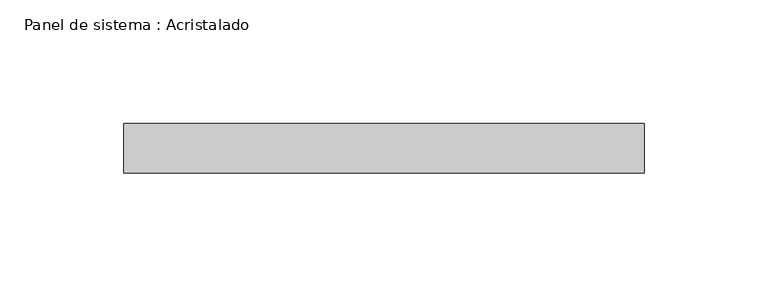
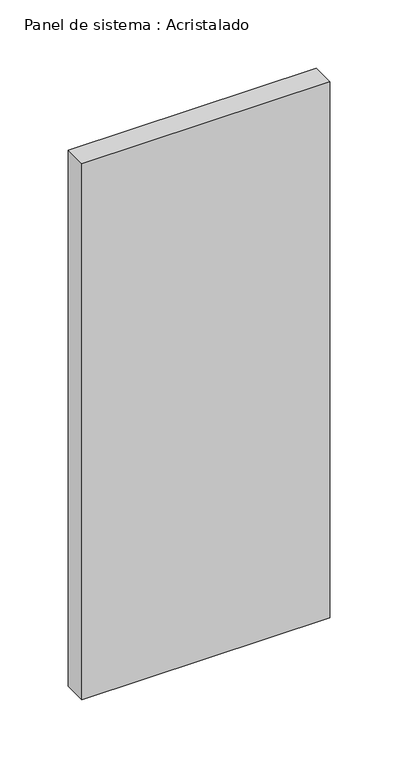
"""IFC4 building model written with IfcOpenShell, lengths in millimetres: plate geometry, Panel de sistema : Acristalado."""

from ifc_helpers import new_model, si_unit, origin, origin_with_axes, place, context, project, spatial, polyline, outline, extrude, source, transform, mapped, element, save


def panel_de_sistema_acristalado_d268b2fd(model_context):
    return source(origin(), model_context, "Body", "SweptSolid", [
        extrude(outline(polyline([(105.0, -10.0), (-105.0, -10.0), (-105.0, 10.0), (105.0, 10.0), (105.0, -10.0)])), origin_with_axes(), (0.0, 0.0, 1.0), 480.0197469),
    ])


if __name__ == "__main__":
    model = new_model("IFC4")
    model_context = context("Model", 3, world=origin())
    ifc_project = project(units=[si_unit("LENGTHUNIT", "METRE", prefix="MILLI")], contexts=[model_context])
    site = spatial("IfcSite", under=ifc_project)
    building = spatial("IfcBuilding", under=site)
    placement = place(None, origin())
    panel_de_sistema_acristalado_shape = panel_de_sistema_acristalado_d268b2fd(model_context)
    element("IfcPlate", 1, ObjectType="Panel de sistema : Acristalado", at=placement, inside=building, context=model_context, shape_type="MappedRepresentation", body=[
        mapped(panel_de_sistema_acristalado_shape, transform((0.0, 0.0, 0.0), x_axis=(1.0, 0.0, 0.0), y_axis=(0.0, 1.0, 0.0), z_axis=(0.0, 0.0, 1.0))),
    ])
    save(model, "model.ifc")
